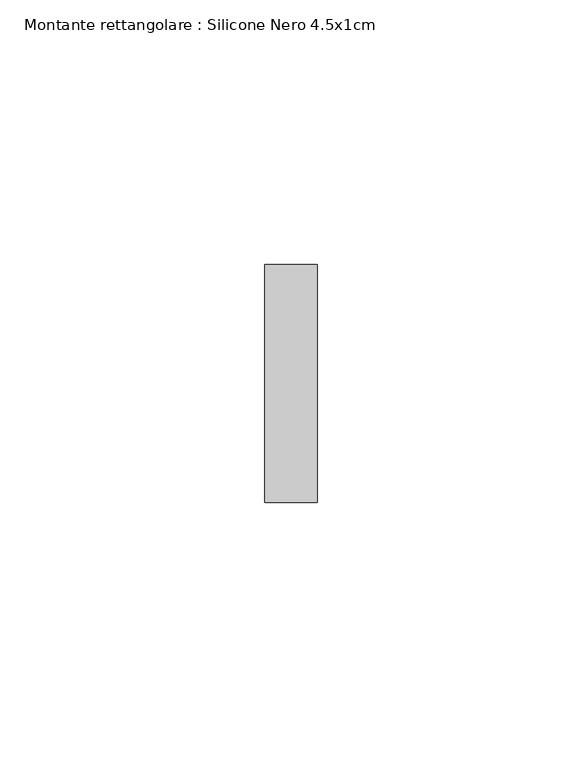
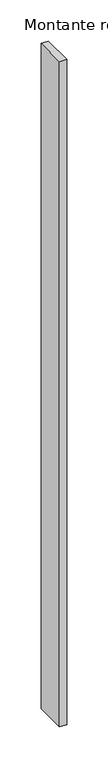
"""IFC4 building model written with IfcOpenShell, lengths in millimetres: member geometry, Montante rettangolare : Silicone Nero 4.5x1cm."""

from ifc_helpers import new_model, si_unit, frame, origin, place, context, project, spatial, polyline, outline, extrude, source, transform, mapped, element, save


def montante_rettangolare_silicone_nero_4_5x1cm_06f5684e(model_context):
    return source(origin(), model_context, "Body", "SweptSolid", [
        extrude(outline(polyline([(0.0, 45.0), (0.0, 0.0), (-10.0, 0.0), (-10.0, 45.0), (0.0, 45.0)])), frame((0.0, 0.0, -990.0), z_axis=(0.0, 0.0, 1.0), x_axis=(1.0, 0.0, 0.0)), (0.0, 0.0, 1.0), 990.0),
    ])


if __name__ == "__main__":
    model = new_model("IFC4")
    model_context = context("Model", 3, world=origin())
    ifc_project = project(units=[si_unit("LENGTHUNIT", "METRE", prefix="MILLI")], contexts=[model_context])
    site = spatial("IfcSite", under=ifc_project)
    building = spatial("IfcBuilding", under=site)
    placement = place(None, origin())
    montante_rettangolare_silicone_nero_4_5x1cm_shape = montante_rettangolare_silicone_nero_4_5x1cm_06f5684e(model_context)
    element("IfcMember", 1, ObjectType="Montante rettangolare : Silicone Nero 4.5x1cm", at=placement, inside=building, context=model_context, shape_type="MappedRepresentation", body=[
        mapped(montante_rettangolare_silicone_nero_4_5x1cm_shape, transform((0.0, 0.0, 0.0), x_axis=(1.0, 0.0, 0.0), y_axis=(0.0, 1.0, 0.0), z_axis=(0.0, 0.0, 1.0))),
    ])
    save(model, "model.ifc")
